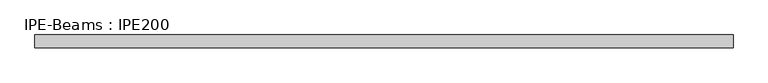
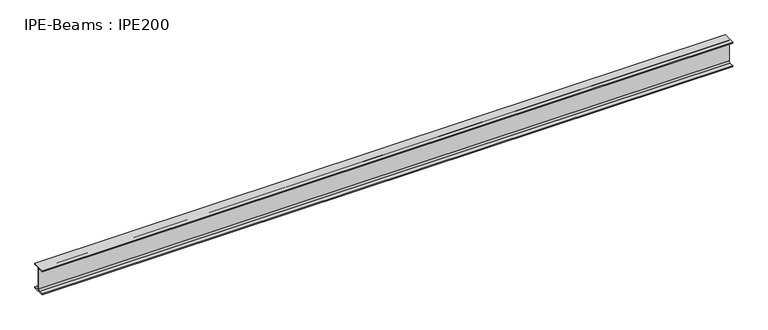
"""IFC4 building model written with IfcOpenShell, lengths in millimetres: beam geometry, IPE-Beams : IPE200."""

from ifc_helpers import new_model, si_unit, point, frame, frame_2d, origin, place, context, project, spatial, polyline, circle_curve, trimmed, segment, composite_curve, outline, extrude, source, transform, mapped, element, save


def ipe_beams_ipe200_a24a05a1(model_context):
    return source(origin(), model_context, "Body", "SweptSolid", [
        extrude(outline(composite_curve([segment(polyline([(50.0, -91.5), (50.0, -100.0), (-50.0, -100.0), (-50.0, -91.5), (-14.8, -91.5)]), True, "CONTINUOUS"), segment(trimmed(circle_curve(frame_2d((-14.8, -79.5)), 12.0), [point((-14.8, -91.5))], [point((-2.8, -79.5))], True, "CARTESIAN"), True, "CONTINUOUS"), segment(polyline([(-2.8, -79.5), (-2.8, 79.5)]), True, "CONTINUOUS"), segment(trimmed(circle_curve(frame_2d((-14.8, 79.5)), 12.0), [point((-2.8, 79.5))], [point((-14.8, 91.5))], True, "CARTESIAN"), True, "CONTINUOUS"), segment(polyline([(-14.8, 91.5), (-50.0, 91.5), (-50.0, 100.0), (50.0, 100.0), (50.0, 91.5), (14.8, 91.5)]), True, "CONTINUOUS"), segment(trimmed(circle_curve(frame_2d((14.8, 79.5)), 12.0), [point((14.8, 91.5))], [point((2.8, 79.5))], True, "CARTESIAN"), True, "CONTINUOUS"), segment(polyline([(2.8, 79.5), (2.8, -79.5)]), True, "CONTINUOUS"), segment(trimmed(circle_curve(frame_2d((14.8, -79.5)), 12.0), [point((2.8, -79.5))], [point((14.8, -91.5))], True, "CARTESIAN"), True, "CONTINUOUS"), segment(polyline([(14.8, -91.5), (50.0, -91.5)]), True, "CONTINUOUS")], self_intersect=False)), frame((-2676.0, 0.0, 0.0), z_axis=(1.0, 0.0, 0.0), x_axis=(0.0, 1.0, 0.0)), (0.0, 0.0, 1.0), 5352.0),
    ])


if __name__ == "__main__":
    model = new_model("IFC4")
    model_context = context("Model", 3, world=origin())
    ifc_project = project(units=[si_unit("LENGTHUNIT", "METRE", prefix="MILLI")], contexts=[model_context])
    site = spatial("IfcSite", under=ifc_project)
    building = spatial("IfcBuilding", under=site)
    placement = place(None, origin())
    ipe_beams_ipe200_shape = ipe_beams_ipe200_a24a05a1(model_context)
    element("IfcBeam", 1, ObjectType="IPE-Beams : IPE200", at=placement, inside=building, context=model_context, shape_type="MappedRepresentation", body=[
        mapped(ipe_beams_ipe200_shape, transform((0.0, 0.0, 0.0), x_axis=(1.0, 0.0, 0.0), y_axis=(0.0, 1.0, 0.0), z_axis=(0.0, 0.0, 1.0))),
    ])
    save(model, "model.ifc")
